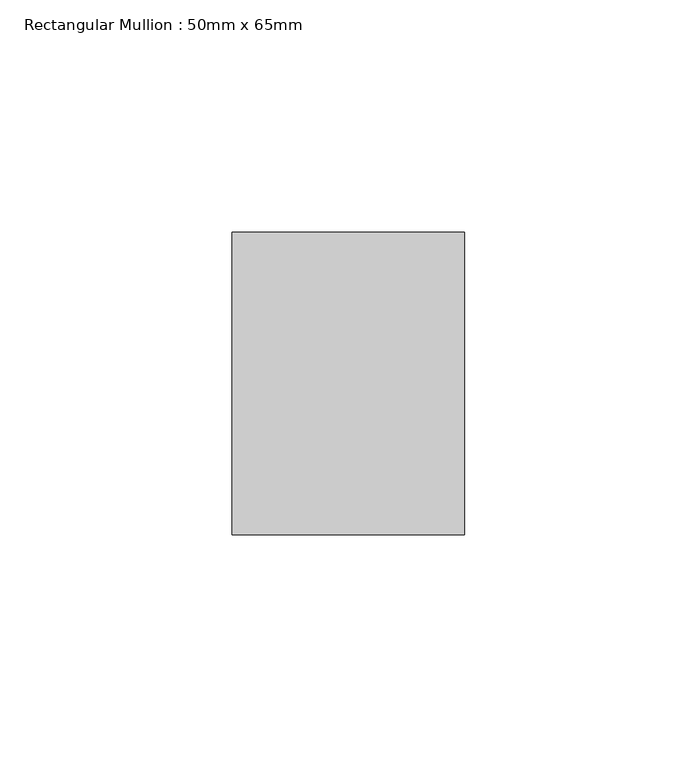
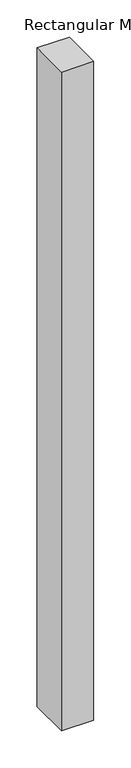
"""IFC4 building model written with IfcOpenShell, lengths in millimetres: member geometry, Rectangular Mullion : 50mm x 65mm."""

from ifc_helpers import new_model, si_unit, frame, origin, place, context, project, spatial, polyline, outline, extrude, source, transform, mapped, element, save


def rectangular_mullion_50mm_x_65mm_77a09ce9(model_context):
    return source(origin(), model_context, "Body", "SweptSolid", [
        extrude(outline(polyline([(25.0, 32.5), (25.0, -32.5), (-25.0, -32.5), (-25.0, 32.5), (25.0, 32.5)])), frame((0.0, 0.0, -1078.0450934), z_axis=(0.0, 0.0, 1.0), x_axis=(1.0, 0.0, 0.0)), (0.0, 0.0, 1.0), 1078.0450934),
    ])


if __name__ == "__main__":
    model = new_model("IFC4")
    model_context = context("Model", 3, world=origin())
    ifc_project = project(units=[si_unit("LENGTHUNIT", "METRE", prefix="MILLI")], contexts=[model_context])
    site = spatial("IfcSite", under=ifc_project)
    building = spatial("IfcBuilding", under=site)
    placement = place(None, origin())
    rectangular_mullion_50mm_x_65mm_shape = rectangular_mullion_50mm_x_65mm_77a09ce9(model_context)
    element("IfcMember", 1, ObjectType="Rectangular Mullion : 50mm x 65mm", at=placement, inside=building, context=model_context, shape_type="MappedRepresentation", body=[
        mapped(rectangular_mullion_50mm_x_65mm_shape, transform((0.0, 0.0, 0.0), x_axis=(1.0, 0.0, 0.0), y_axis=(0.0, 1.0, 0.0), z_axis=(0.0, 0.0, 1.0))),
    ])
    save(model, "model.ifc")
